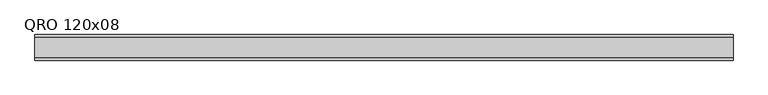
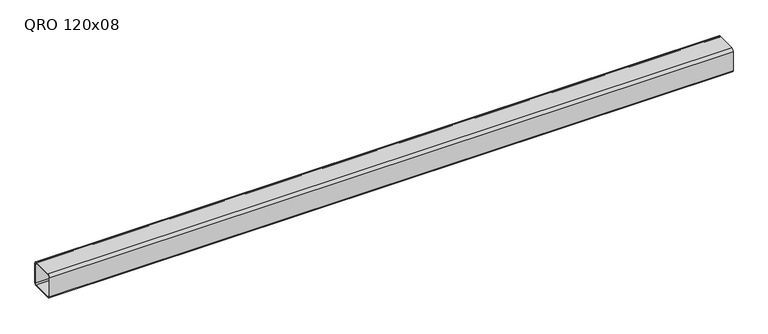
"""IFC4 building model written with IfcOpenShell, lengths in millimetres: beam geometry, QRO 120x08."""

from ifc_helpers import new_model, si_unit, point, frame, frame_2d, origin, place, context, project, spatial, polyline, circle_curve, trimmed, segment, composite_curve, outline, extrude, source, transform, mapped, element, save


def qro_120x08_5fdc51f7(model_context):
    return source(origin(), model_context, "Body", "SweptSolid", [
        extrude(outline(composite_curve([segment(polyline([(60.0, 48.0), (60.0, -48.0)]), True, "CONTINUOUS"), segment(trimmed(circle_curve(frame_2d((48.0, -48.0)), 12.0), [point((60.0, -48.0))], [point((48.0, -60.0))], False, "CARTESIAN"), True, "CONTINUOUS"), segment(polyline([(48.0, -60.0), (-48.0, -60.0)]), True, "CONTINUOUS"), segment(trimmed(circle_curve(frame_2d((-48.0, -48.0)), 12.0), [point((-48.0, -60.0))], [point((-60.0, -48.0))], False, "CARTESIAN"), True, "CONTINUOUS"), segment(polyline([(-60.0, -48.0), (-60.0, 48.0)]), True, "CONTINUOUS"), segment(trimmed(circle_curve(frame_2d((-48.0, 48.0)), 12.0), [point((-60.0, 48.0))], [point((-48.0, 60.0))], False, "CARTESIAN"), True, "CONTINUOUS"), segment(polyline([(-48.0, 60.0), (48.0, 60.0)]), True, "CONTINUOUS"), segment(trimmed(circle_curve(frame_2d((48.0, 48.0)), 12.0), [point((48.0, 60.0))], [point((60.0, 48.0))], False, "CARTESIAN"), True, "CONTINUOUS")], self_intersect=False), holes=[composite_curve([segment(trimmed(circle_curve(frame_2d((-48.0, 48.0)), 6.0), [point((-48.0, 54.0))], [point((-54.0, 48.0))], True, "CARTESIAN"), True, "CONTINUOUS"), segment(polyline([(-54.0, 48.0), (-54.0, -48.0)]), True, "CONTINUOUS"), segment(trimmed(circle_curve(frame_2d((-48.0, -48.0)), 6.0), [point((-54.0, -48.0))], [point((-48.0, -54.0))], True, "CARTESIAN"), True, "CONTINUOUS"), segment(polyline([(-48.0, -54.0), (48.0, -54.0)]), True, "CONTINUOUS"), segment(trimmed(circle_curve(frame_2d((48.0, -48.0)), 6.0), [point((48.0, -54.0))], [point((54.0, -48.0))], True, "CARTESIAN"), True, "CONTINUOUS"), segment(polyline([(54.0, -48.0), (54.0, 48.0)]), True, "CONTINUOUS"), segment(trimmed(circle_curve(frame_2d((48.0, 48.0)), 6.0), [point((54.0, 48.0))], [point((48.0, 54.0))], True, "CARTESIAN"), True, "CONTINUOUS"), segment(polyline([(48.0, 54.0), (-48.0, 54.0)]), True, "CONTINUOUS")], self_intersect=False)]), frame((-1604.2362885, 0.0, 0.0), z_axis=(1.0, 0.0, 0.0), x_axis=(0.0, 1.0, 0.0)), (0.0, 0.0, 1.0), 3273.3482444),
    ])


if __name__ == "__main__":
    model = new_model("IFC4")
    model_context = context("Model", 3, world=origin())
    ifc_project = project(units=[si_unit("LENGTHUNIT", "METRE", prefix="MILLI")], contexts=[model_context])
    site = spatial("IfcSite", under=ifc_project)
    building = spatial("IfcBuilding", under=site)
    placement = place(None, origin())
    qro_120x08_shape = qro_120x08_5fdc51f7(model_context)
    element("IfcBeam", 1, ObjectType="QRO 120x08", at=placement, inside=building, context=model_context, shape_type="MappedRepresentation", body=[
        mapped(qro_120x08_shape, transform((0.0, 0.0, 0.0), x_axis=(1.0, 0.0, 0.0), y_axis=(0.0, 1.0, 0.0), z_axis=(0.0, 0.0, 1.0))),
    ])
    save(model, "model.ifc")
